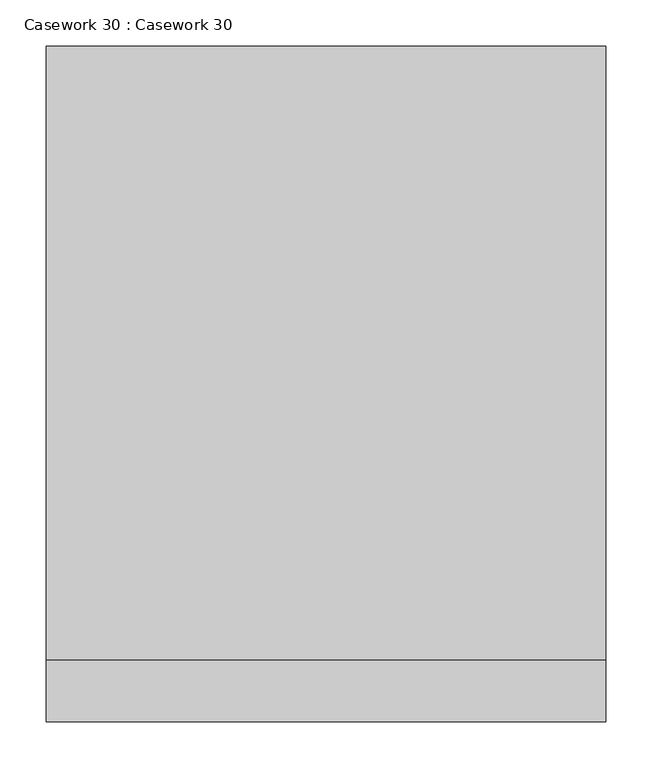
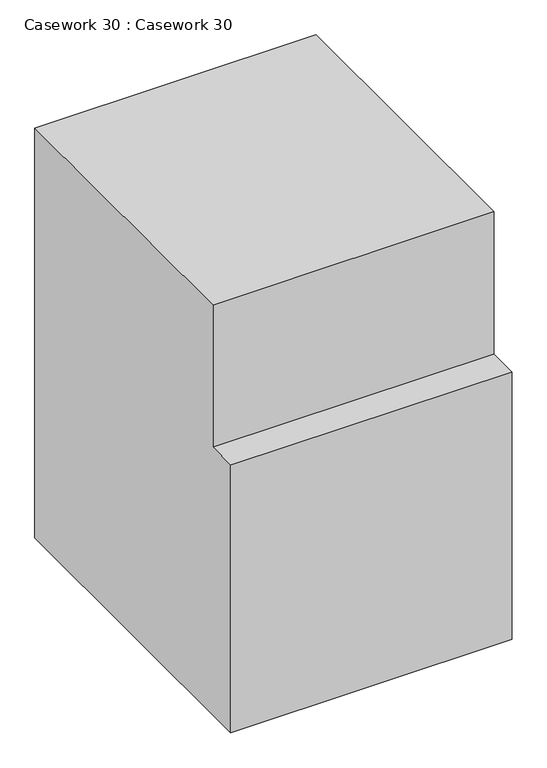
"""IFC4 building model written with IfcOpenShell, lengths in millimetres: furniture geometry, Casework 30 : Casework 30."""

from ifc_helpers import new_model, si_unit, frame, origin, place, context, project, spatial, polyline, outline, extrude, source, transform, mapped, element, save


def casework_30_casework_30_ecdbc7b4(model_context):
    return source(origin(), model_context, "Body", "SweptSolid", [
        extrude(outline(polyline([(31595.1618409, -5721.9077633), (32258.7368409, -5721.9077633), (32258.7368409, -6654.8), (31528.4868409, -6654.8), (31528.4868409, -6045.7577633), (31595.1618409, -6045.7577633), (31595.1618409, -5721.9077633)])), frame((-24561.7211329, 0.0, 0.0), z_axis=(1.0, 0.0, 0.0), x_axis=(0.0, 1.0, 0.0)), (0.0, 0.0, 1.0), 604.8330637),
    ])


if __name__ == "__main__":
    model = new_model("IFC4")
    model_context = context("Model", 3, world=origin())
    ifc_project = project(units=[si_unit("LENGTHUNIT", "METRE", prefix="MILLI")], contexts=[model_context])
    site = spatial("IfcSite", under=ifc_project)
    building = spatial("IfcBuilding", under=site)
    placement = place(None, origin())
    casework_30_casework_30_shape = casework_30_casework_30_ecdbc7b4(model_context)
    element("IfcFurniture", 1, ObjectType="Casework 30 : Casework 30", at=placement, inside=building, context=model_context, shape_type="MappedRepresentation", body=[
        mapped(casework_30_casework_30_shape, transform((0.0, 0.0, 0.0), x_axis=(1.0, 0.0, 0.0), y_axis=(0.0, 1.0, 0.0), z_axis=(0.0, 0.0, 1.0))),
    ])
    save(model, "model.ifc")
